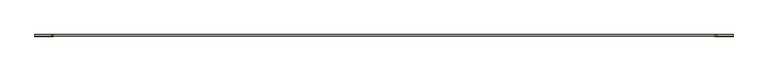
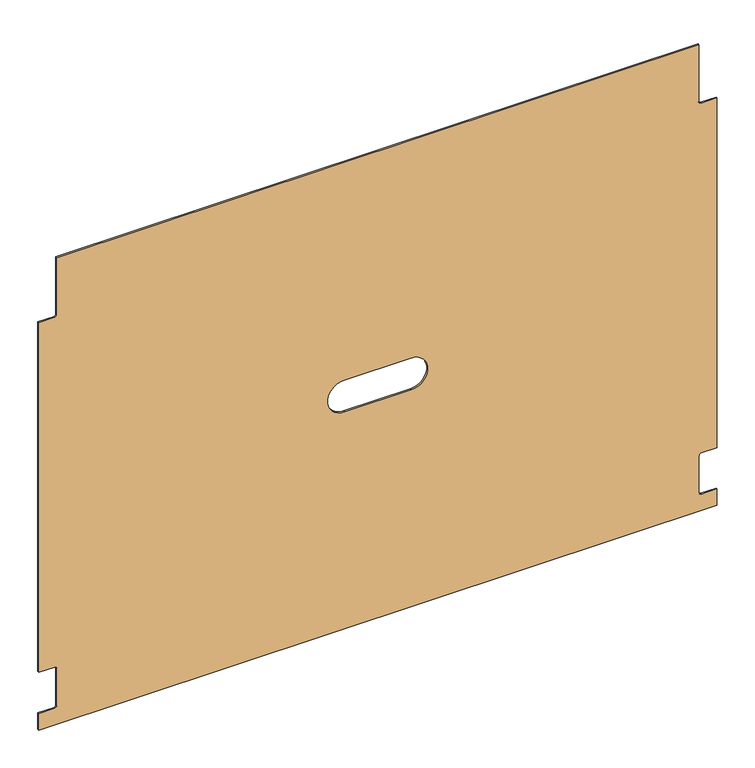
"""IFC4 building model written with IfcOpenShell, lengths in millimetres: door geometry."""

from ifc_helpers import new_model, si_unit, point, frame, frame_2d, origin, place, context, project, spatial, polyline, circle_curve, trimmed, segment, composite_curve, outline, extrude, source, transform, mapped, element, save


def door_ce843cb6(model_context):
    return source(origin(), model_context, "Body", "SweptSolid", [
        extrude(outline(composite_curve([segment(trimmed(circle_curve(frame_2d((688.1316256, -389.1385454)), 3.175), [point((688.1316256, -385.9635454))], [point((684.9566256, -389.1385454))], True, "CARTESIAN"), True, "CONTINUOUS"), segment(polyline([(684.9566256, -389.1385454), (684.9566256, -413.3320454), (121.3520123, -413.3320454), (121.3520123, -389.1385454)]), True, "CONTINUOUS"), segment(trimmed(circle_curve(frame_2d((118.1770123, -389.1385454)), 3.175), [point((121.3520123, -389.1385454))], [point((118.1770123, -385.9635454))], True, "CARTESIAN"), True, "CONTINUOUS"), segment(polyline([(118.1770123, -385.9635454), (57.8520123, -385.9635454)]), True, "CONTINUOUS"), segment(trimmed(circle_curve(frame_2d((57.8520123, -389.1385454)), 3.175), [point((57.8520123, -385.9635454))], [point((54.6770123, -389.1385454))], True, "CARTESIAN"), True, "CONTINUOUS"), segment(polyline([(54.6770123, -389.1385454), (54.6770123, -413.3320454), (28.0705123, -413.3320454), (28.0705123, 621.6803587), (54.6770123, 621.6803587), (54.6770123, 597.4868587)]), True, "CONTINUOUS"), segment(trimmed(circle_curve(frame_2d((57.8520123, 597.4868587)), 3.175), [point((54.6770123, 597.4868587))], [point((57.8520123, 594.3118587))], True, "CARTESIAN"), True, "CONTINUOUS"), segment(polyline([(57.8520123, 594.3118587), (118.1770123, 594.3118587)]), True, "CONTINUOUS"), segment(trimmed(circle_curve(frame_2d((118.1770123, 597.4868587)), 3.175), [point((118.1770123, 594.3118587))], [point((121.3520123, 597.4868587))], True, "CARTESIAN"), True, "CONTINUOUS"), segment(polyline([(121.3520123, 597.4868587), (121.3520123, 621.6803587), (684.9566256, 621.6803587), (684.9566256, 597.4868587)]), True, "CONTINUOUS"), segment(trimmed(circle_curve(frame_2d((688.1316256, 597.4868587)), 3.175), [point((684.9566256, 597.4868587))], [point((688.1316256, 594.3118587))], True, "CARTESIAN"), True, "CONTINUOUS"), segment(polyline([(688.1316256, 594.3118587), (780.4566124, 594.3118587), (780.4566124, -385.9635454), (688.1316256, -385.9635454)]), True, "CONTINUOUS")], self_intersect=False), holes=[composite_curve([segment(polyline([(428.6793124, 53.3741567), (428.6793124, 154.9741567)]), True, "CONTINUOUS"), segment(trimmed(circle_curve(frame_2d((403.2793124, 154.9741567)), 25.4), [point((428.6793124, 154.9741567))], [point((377.8793124, 154.9741567))], True, "CARTESIAN"), True, "CONTINUOUS"), segment(polyline([(377.8793124, 154.9741567), (377.8793124, 53.3741567)]), True, "CONTINUOUS"), segment(trimmed(circle_curve(frame_2d((403.2793124, 53.3741567)), 25.4), [point((377.8793124, 53.3741567))], [point((428.6793124, 53.3741567))], True, "CARTESIAN"), True, "CONTINUOUS")], self_intersect=False)]), frame((0.0, 0.0, 0.0), z_axis=(0.0, 1.0, 0.0), x_axis=(0.0, 0.0, 1.0)), (0.0, 0.0, 1.0), 2.2388125),
    ])


if __name__ == "__main__":
    model = new_model("IFC4")
    model_context = context("Model", 3, world=origin())
    ifc_project = project(units=[si_unit("LENGTHUNIT", "METRE", prefix="MILLI")], contexts=[model_context])
    site = spatial("IfcSite", under=ifc_project)
    building = spatial("IfcBuilding", under=site)
    placement = place(None, origin())
    door_shape = door_ce843cb6(model_context)
    element("IfcDoor", 1, at=placement, inside=building, context=model_context, shape_type="MappedRepresentation", body=[
        mapped(door_shape, transform((0.0, 0.0, 0.0), x_axis=(1.0, 0.0, 0.0), y_axis=(0.0, 1.0, 0.0), z_axis=(0.0, 0.0, 1.0))),
    ])
    save(model, "model.ifc")
